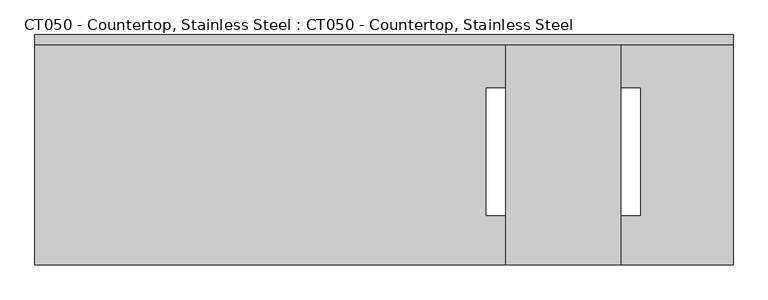
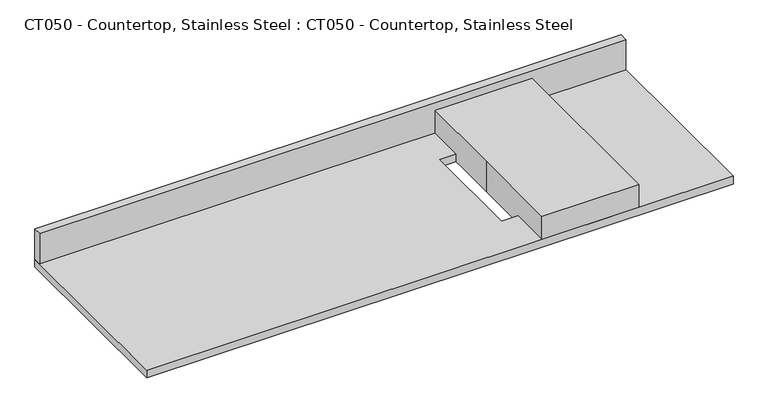
"""IFC4 building model written with IfcOpenShell, lengths in millimetres: proxy geometry, CT050 - Countertop, Stainless Steel : CT050 - Countertop, Stainless Steel."""

import ifcopenshell
import ifcopenshell.guid

model = None  # the IFC model being written
_history = None  # IfcOwnerHistory: only IFC2X3 demands one
_inside = {}  # id of a spatial element -> (the spatial element, [elements in it])
_under = {}  # id of a project, library or spatial element -> (it, [spatial elements below it])
_declared = {}  # id of a project -> (the project, [libraries it declares])
_typed = {}  # id of a type object -> (the type object, [elements of that type])
_made_of = {}  # id of a material, layer set ... -> (it, [elements and type objects made of it])


def new_model(schema):
    """Start an empty IFC model of exactly this schema.

    Asked for "IFC4X3", IfcOpenShell would pick the latest addendum, in which some entities
    have other attributes; the version numbers below select the first issue.
    IFC2X3 requires an IfcOwnerHistory on every rooted entity: one is made here for all.
    """
    global model, _history
    if schema == "IFC4X3":
        model = ifcopenshell.file(schema_version=(4, 3, 0, 0))
    else:
        model = ifcopenshell.file(schema=schema)
    _inside.clear()
    _under.clear()
    _declared.clear()
    _typed.clear()
    _made_of.clear()
    _history = None
    if model.schema == "IFC2X3":
        org = make("IfcOrganization", Name="unknown")
        user = make(
            "IfcPersonAndOrganization",
            ThePerson=make("IfcPerson", FamilyName="unknown"),
            TheOrganization=org,
        )
        app = make(
            "IfcApplication",
            ApplicationDeveloper=org,
            Version="unknown",
            ApplicationFullName="unknown",
            ApplicationIdentifier="unknown",
        )
        _history = make(
            "IfcOwnerHistory",
            OwningUser=user,
            OwningApplication=app,
            ChangeAction="ADDED",
            CreationDate=0,
        )
    return model


def make(cls, **values):
    """One entity of the class cls with the attributes given. An attribute that is None is left unset."""
    return model.create_entity(
        cls, **{name: value for name, value in values.items() if value is not None}
    )


def rooted(cls, **values):
    """An entity with a GlobalId (a new one), such as an element, a storey or a relation."""
    return make(cls, GlobalId=ifcopenshell.guid.new(), OwnerHistory=_history, **values)


def si_unit(unit_type, name, prefix=None):
    """IfcSIUnit, for example si_unit("LENGTHUNIT", "METRE", prefix="MILLI")."""
    return make("IfcSIUnit", UnitType=unit_type, Prefix=prefix, Name=name)


def assignment(units):
    """IfcUnitAssignment: the units of a project."""
    return None if units is None else make("IfcUnitAssignment", Units=units)


def point(xyz):
    """IfcCartesianPoint."""
    return None if xyz is None else make("IfcCartesianPoint", Coordinates=xyz)


def direction(xyz):
    """IfcDirection."""
    return None if xyz is None else make("IfcDirection", DirectionRatios=xyz)


def frame(location, z_axis=None, x_axis=None):
    """IfcAxis2Placement3D, a coordinate frame: its origin and axes. An axis left out is left unset."""
    return make(
        "IfcAxis2Placement3D",
        Location=point(location),
        Axis=direction(z_axis),
        RefDirection=direction(x_axis),
    )


def origin():
    """The frame at (0, 0, 0) with its axes left unset."""
    return frame((0.0, 0.0, 0.0))


def origin_with_axes():
    """The frame at (0, 0, 0) with the z axis (0, 0, 1) and the x axis (1, 0, 0) written out."""
    return frame((0.0, 0.0, 0.0), z_axis=(0.0, 0.0, 1.0), x_axis=(1.0, 0.0, 0.0))


def place(relative_to, where):
    """IfcLocalPlacement: puts the frame where relative to a parent placement (None: the world)."""
    return make(
        "IfcLocalPlacement", PlacementRelTo=relative_to, RelativePlacement=where
    )


def context(
    kind, dimensions, precision=None, world=None, true_north=None, identifier=None
):
    """IfcGeometricRepresentationContext, for example the 3D "Model" context."""
    return make(
        "IfcGeometricRepresentationContext",
        ContextIdentifier=identifier,
        ContextType=kind,
        CoordinateSpaceDimension=dimensions,
        Precision=precision,
        WorldCoordinateSystem=world,
        TrueNorth=true_north,
    )


def project(units=None, contexts=None):
    """IfcProject with its units and contexts."""
    return rooted(
        "IfcProject",
        Name="project",
        RepresentationContexts=contexts,
        UnitsInContext=assignment(units),
    )


def spatial(cls, under=None, at=None, **own):
    """A site, building, storey or space (cls), placed at a placement, below another one or the project."""
    s = rooted(cls, ObjectPlacement=at, **own)
    if under is not None:
        _under.setdefault(under.id(), (under, []))[1].append(s)
    return s


def polyline(points):
    """IfcPolyline through the points."""
    return make("IfcPolyline", Points=[point(p) for p in points])


def outline(outer, holes=None, kind="AREA"):
    """IfcArbitraryClosedProfileDef: a profile drawn as a closed curve; with holes, ...WithVoids."""
    if holes is None:
        return make("IfcArbitraryClosedProfileDef", ProfileType=kind, OuterCurve=outer)
    return make(
        "IfcArbitraryProfileDefWithVoids",
        ProfileType=kind,
        OuterCurve=outer,
        InnerCurves=holes,
    )


def extrude(swept, where, along, depth):
    """IfcExtrudedAreaSolid: the profile swept, set in the frame where, extruded along a direction by depth."""
    return make(
        "IfcExtrudedAreaSolid",
        SweptArea=swept,
        Position=where,
        ExtrudedDirection=direction(along),
        Depth=depth,
    )


def shape(context_of_items, identifier, shape_type, items):
    """IfcShapeRepresentation: the items that make up one representation, for example the "Body"."""
    return make(
        "IfcShapeRepresentation",
        ContextOfItems=context_of_items,
        RepresentationIdentifier=identifier,
        RepresentationType=shape_type,
        Items=items,
    )


def source(mapping_origin, context_of_items, identifier, shape_type, items):
    """IfcRepresentationMap: a shape defined once, which mapped items show again and again."""
    return make(
        "IfcRepresentationMap",
        MappingOrigin=mapping_origin,
        MappedRepresentation=shape(context_of_items, identifier, shape_type, items),
    )


def transform(
    local_origin,
    x_axis=None,
    y_axis=None,
    z_axis=None,
    scale=None,
    scale2=None,
    scale3=None,
    uniform=True,
):
    """IfcCartesianTransformationOperator3D, or its non-uniform kind. x_axis, y_axis, z_axis: its Axis1, 2, 3."""
    if uniform:
        return make(
            "IfcCartesianTransformationOperator3D",
            Axis1=direction(x_axis),
            Axis2=direction(y_axis),
            LocalOrigin=point(local_origin),
            Scale=scale,
            Axis3=direction(z_axis),
        )
    return make(
        "IfcCartesianTransformationOperator3DnonUniform",
        Axis1=direction(x_axis),
        Axis2=direction(y_axis),
        LocalOrigin=point(local_origin),
        Scale=scale,
        Axis3=direction(z_axis),
        Scale2=scale2,
        Scale3=scale3,
    )


def mapped(mapping_source, mapping_target):
    """IfcMappedItem: shows the shape of a source again, moved by a transform."""
    return make(
        "IfcMappedItem", MappingSource=mapping_source, MappingTarget=mapping_target
    )


def made_of(thing, what):
    """Note that an element or type object is made of a material, layer set ...; save() writes the relation."""
    if what is not None:
        _made_of.setdefault(what.id(), (what, []))[1].append(thing)
    return thing


def element(
    cls,
    number,
    at=None,
    inside=None,
    cuts=None,
    type_object=None,
    material=None,
    context=None,
    identifier="Body",
    shape_type=None,
    held_by="IfcProductDefinitionShape",
    body=None,
    shapes=None,
    **own,
):
    """One element of the class cls, such as IfcWall. Its Tag is "e" and its number.

    at: its placement. inside: the storey or other place that contains it. cuts: it is an
    opening in that element (IfcRelVoidsElement). A single representation is given by context,
    identifier, shape_type and body (its items); several are given by shapes. held_by: the class
    of the entity that holds the representations. save() writes the other relations.
    """
    e = rooted(cls, Tag="e%d" % number, ObjectPlacement=at, **own)
    if body is not None:
        shapes = [shape(context, identifier, shape_type, body)]
    if shapes is not None:
        e.Representation = make(held_by, Representations=shapes)
    if inside is not None:
        _inside.setdefault(inside.id(), (inside, []))[1].append(e)
    if cuts is not None:
        rooted(
            "IfcRelVoidsElement", RelatingBuildingElement=cuts, RelatedOpeningElement=e
        )
    if type_object is not None:
        _typed.setdefault(type_object.id(), (type_object, []))[1].append(e)
    return made_of(e, material)


def aggregate(whole, parts):
    """IfcRelAggregates: a whole, such as a stair, and the parts it consists of."""
    return rooted("IfcRelAggregates", RelatingObject=whole, RelatedObjects=parts)


def save(model, path):
    """Write the relations noted so far, then the file.

    IfcRelAggregates (storeys below a building ...), IfcRelContainedInSpatialStructure (elements
    in a storey), IfcRelDefinesByType, IfcRelAssociatesMaterial and IfcRelDeclares: one each for
    every whole, place, type object, material and project.
    """
    for whole, parts in _under.values():
        aggregate(whole, parts)
    for where, things in _inside.values():
        rooted(
            "IfcRelContainedInSpatialStructure",
            RelatedElements=things,
            RelatingStructure=where,
        )
    for kind, things in _typed.values():
        rooted("IfcRelDefinesByType", RelatedObjects=things, RelatingType=kind)
    for what, things in _made_of.values():
        rooted("IfcRelAssociatesMaterial", RelatedObjects=things, RelatingMaterial=what)
    for by, libraries in _declared.values():
        rooted("IfcRelDeclares", RelatingContext=by, RelatedDefinitions=libraries)
    model.write(path)


def ct050_countertop_stainless_steel_ct050_countertop_stainless_ed4b3b38(model_context):
    return source(origin(), model_context, "Body", "SweptSolid", [
        extrude(outline(polyline([(449.2625, 304.8), (449.2625, -304.8), (-1397.0, -304.8), (-1397.0, 304.8), (449.2625, 304.8)]), holes=[polyline([(203.1999999, 164.3131965), (-203.2000001, 164.3131965), (-203.2000001, -172.9014465), (203.1999999, -172.9014465), (203.1999999, 164.3131965)])]), origin_with_axes(), (0.0, 0.0, 1.0), 25.4),
        extrude(outline(polyline([(-1397.0, 279.4), (-1397.0, 304.8), (449.2625, 304.8), (449.2625, 279.4), (-1397.0, 279.4)])), frame((0.0, 0.0, 25.4), z_axis=(0.0, 0.0, 1.0), x_axis=(1.0, 0.0, 0.0)), (0.0, 0.0, 1.0), 101.6),
        extrude(outline(polyline([(-152.4, 304.8), (152.4, 304.8), (152.4, -304.8), (-152.4, -304.8), (-152.4, 0.0), (-152.4, 304.8)])), origin_with_axes(), (0.0, 0.0, 1.0), 101.6),
    ])


if __name__ == "__main__":
    model = new_model("IFC4")
    model_context = context("Model", 3, world=origin())
    ifc_project = project(units=[si_unit("LENGTHUNIT", "METRE", prefix="MILLI")], contexts=[model_context])
    site = spatial("IfcSite", under=ifc_project)
    building = spatial("IfcBuilding", under=site)
    placement = place(None, origin())
    ct050_countertop_stainless_steel_ct050_countertop_stainless_shape = ct050_countertop_stainless_steel_ct050_countertop_stainless_ed4b3b38(model_context)
    element("IfcBuildingElementProxy", 1, Name="CT050 - Countertop, Stainless Steel : CT050 - Countertop, Stainless Steel", ObjectType="CT050 - Countertop, Stainless Steel : CT050 - Countertop, Stainless Steel", at=placement, inside=building, context=model_context, shape_type="MappedRepresentation", body=[
        mapped(ct050_countertop_stainless_steel_ct050_countertop_stainless_shape, transform((0.0, 0.0, 0.0), x_axis=(1.0, 0.0, 0.0), y_axis=(0.0, 1.0, 0.0), z_axis=(0.0, 0.0, 1.0))),
    ])
    save(model, "model.ifc")
